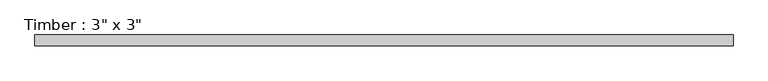
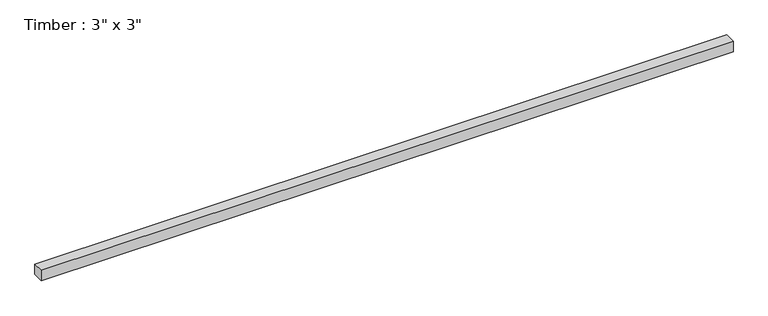
"""IFC4 building model written with IfcOpenShell, lengths in millimetres: beam geometry."""

import ifcopenshell
import ifcopenshell.guid

model = None  # the IFC model being written
_history = None  # IfcOwnerHistory: only IFC2X3 demands one
_inside = {}  # id of a spatial element -> (the spatial element, [elements in it])
_under = {}  # id of a project, library or spatial element -> (it, [spatial elements below it])
_declared = {}  # id of a project -> (the project, [libraries it declares])
_typed = {}  # id of a type object -> (the type object, [elements of that type])
_made_of = {}  # id of a material, layer set ... -> (it, [elements and type objects made of it])


def new_model(schema):
    """Start an empty IFC model of exactly this schema.

    Asked for "IFC4X3", IfcOpenShell would pick the latest addendum, in which some entities
    have other attributes; the version numbers below select the first issue.
    IFC2X3 requires an IfcOwnerHistory on every rooted entity: one is made here for all.
    """
    global model, _history
    if schema == "IFC4X3":
        model = ifcopenshell.file(schema_version=(4, 3, 0, 0))
    else:
        model = ifcopenshell.file(schema=schema)
    _inside.clear()
    _under.clear()
    _declared.clear()
    _typed.clear()
    _made_of.clear()
    _history = None
    if model.schema == "IFC2X3":
        org = make("IfcOrganization", Name="unknown")
        user = make(
            "IfcPersonAndOrganization",
            ThePerson=make("IfcPerson", FamilyName="unknown"),
            TheOrganization=org,
        )
        app = make(
            "IfcApplication",
            ApplicationDeveloper=org,
            Version="unknown",
            ApplicationFullName="unknown",
            ApplicationIdentifier="unknown",
        )
        _history = make(
            "IfcOwnerHistory",
            OwningUser=user,
            OwningApplication=app,
            ChangeAction="ADDED",
            CreationDate=0,
        )
    return model


def make(cls, **values):
    """One entity of the class cls with the attributes given. An attribute that is None is left unset."""
    return model.create_entity(
        cls, **{name: value for name, value in values.items() if value is not None}
    )


def rooted(cls, **values):
    """An entity with a GlobalId (a new one), such as an element, a storey or a relation."""
    return make(cls, GlobalId=ifcopenshell.guid.new(), OwnerHistory=_history, **values)


def si_unit(unit_type, name, prefix=None):
    """IfcSIUnit, for example si_unit("LENGTHUNIT", "METRE", prefix="MILLI")."""
    return make("IfcSIUnit", UnitType=unit_type, Prefix=prefix, Name=name)


def assignment(units):
    """IfcUnitAssignment: the units of a project."""
    return None if units is None else make("IfcUnitAssignment", Units=units)


def point(xyz):
    """IfcCartesianPoint."""
    return None if xyz is None else make("IfcCartesianPoint", Coordinates=xyz)


def direction(xyz):
    """IfcDirection."""
    return None if xyz is None else make("IfcDirection", DirectionRatios=xyz)


def frame(location, z_axis=None, x_axis=None):
    """IfcAxis2Placement3D, a coordinate frame: its origin and axes. An axis left out is left unset."""
    return make(
        "IfcAxis2Placement3D",
        Location=point(location),
        Axis=direction(z_axis),
        RefDirection=direction(x_axis),
    )


def origin():
    """The frame at (0, 0, 0) with its axes left unset."""
    return frame((0.0, 0.0, 0.0))


def place(relative_to, where):
    """IfcLocalPlacement: puts the frame where relative to a parent placement (None: the world)."""
    return make(
        "IfcLocalPlacement", PlacementRelTo=relative_to, RelativePlacement=where
    )


def context(
    kind, dimensions, precision=None, world=None, true_north=None, identifier=None
):
    """IfcGeometricRepresentationContext, for example the 3D "Model" context."""
    return make(
        "IfcGeometricRepresentationContext",
        ContextIdentifier=identifier,
        ContextType=kind,
        CoordinateSpaceDimension=dimensions,
        Precision=precision,
        WorldCoordinateSystem=world,
        TrueNorth=true_north,
    )


def project(units=None, contexts=None):
    """IfcProject with its units and contexts."""
    return rooted(
        "IfcProject",
        Name="project",
        RepresentationContexts=contexts,
        UnitsInContext=assignment(units),
    )


def spatial(cls, under=None, at=None, **own):
    """A site, building, storey or space (cls), placed at a placement, below another one or the project."""
    s = rooted(cls, ObjectPlacement=at, **own)
    if under is not None:
        _under.setdefault(under.id(), (under, []))[1].append(s)
    return s


def polyline(points):
    """IfcPolyline through the points."""
    return make("IfcPolyline", Points=[point(p) for p in points])


def outline(outer, holes=None, kind="AREA"):
    """IfcArbitraryClosedProfileDef: a profile drawn as a closed curve; with holes, ...WithVoids."""
    if holes is None:
        return make("IfcArbitraryClosedProfileDef", ProfileType=kind, OuterCurve=outer)
    return make(
        "IfcArbitraryProfileDefWithVoids",
        ProfileType=kind,
        OuterCurve=outer,
        InnerCurves=holes,
    )


def extrude(swept, where, along, depth):
    """IfcExtrudedAreaSolid: the profile swept, set in the frame where, extruded along a direction by depth."""
    return make(
        "IfcExtrudedAreaSolid",
        SweptArea=swept,
        Position=where,
        ExtrudedDirection=direction(along),
        Depth=depth,
    )


def shape(context_of_items, identifier, shape_type, items):
    """IfcShapeRepresentation: the items that make up one representation, for example the "Body"."""
    return make(
        "IfcShapeRepresentation",
        ContextOfItems=context_of_items,
        RepresentationIdentifier=identifier,
        RepresentationType=shape_type,
        Items=items,
    )


def source(mapping_origin, context_of_items, identifier, shape_type, items):
    """IfcRepresentationMap: a shape defined once, which mapped items show again and again."""
    return make(
        "IfcRepresentationMap",
        MappingOrigin=mapping_origin,
        MappedRepresentation=shape(context_of_items, identifier, shape_type, items),
    )


def transform(
    local_origin,
    x_axis=None,
    y_axis=None,
    z_axis=None,
    scale=None,
    scale2=None,
    scale3=None,
    uniform=True,
):
    """IfcCartesianTransformationOperator3D, or its non-uniform kind. x_axis, y_axis, z_axis: its Axis1, 2, 3."""
    if uniform:
        return make(
            "IfcCartesianTransformationOperator3D",
            Axis1=direction(x_axis),
            Axis2=direction(y_axis),
            LocalOrigin=point(local_origin),
            Scale=scale,
            Axis3=direction(z_axis),
        )
    return make(
        "IfcCartesianTransformationOperator3DnonUniform",
        Axis1=direction(x_axis),
        Axis2=direction(y_axis),
        LocalOrigin=point(local_origin),
        Scale=scale,
        Axis3=direction(z_axis),
        Scale2=scale2,
        Scale3=scale3,
    )


def mapped(mapping_source, mapping_target):
    """IfcMappedItem: shows the shape of a source again, moved by a transform."""
    return make(
        "IfcMappedItem", MappingSource=mapping_source, MappingTarget=mapping_target
    )


def made_of(thing, what):
    """Note that an element or type object is made of a material, layer set ...; save() writes the relation."""
    if what is not None:
        _made_of.setdefault(what.id(), (what, []))[1].append(thing)
    return thing


def element(
    cls,
    number,
    at=None,
    inside=None,
    cuts=None,
    type_object=None,
    material=None,
    context=None,
    identifier="Body",
    shape_type=None,
    held_by="IfcProductDefinitionShape",
    body=None,
    shapes=None,
    **own,
):
    """One element of the class cls, such as IfcWall. Its Tag is "e" and its number.

    at: its placement. inside: the storey or other place that contains it. cuts: it is an
    opening in that element (IfcRelVoidsElement). A single representation is given by context,
    identifier, shape_type and body (its items); several are given by shapes. held_by: the class
    of the entity that holds the representations. save() writes the other relations.
    """
    e = rooted(cls, Tag="e%d" % number, ObjectPlacement=at, **own)
    if body is not None:
        shapes = [shape(context, identifier, shape_type, body)]
    if shapes is not None:
        e.Representation = make(held_by, Representations=shapes)
    if inside is not None:
        _inside.setdefault(inside.id(), (inside, []))[1].append(e)
    if cuts is not None:
        rooted(
            "IfcRelVoidsElement", RelatingBuildingElement=cuts, RelatedOpeningElement=e
        )
    if type_object is not None:
        _typed.setdefault(type_object.id(), (type_object, []))[1].append(e)
    return made_of(e, material)


def aggregate(whole, parts):
    """IfcRelAggregates: a whole, such as a stair, and the parts it consists of."""
    return rooted("IfcRelAggregates", RelatingObject=whole, RelatedObjects=parts)


def save(model, path):
    """Write the relations noted so far, then the file.

    IfcRelAggregates (storeys below a building ...), IfcRelContainedInSpatialStructure (elements
    in a storey), IfcRelDefinesByType, IfcRelAssociatesMaterial and IfcRelDeclares: one each for
    every whole, place, type object, material and project.
    """
    for whole, parts in _under.values():
        aggregate(whole, parts)
    for where, things in _inside.values():
        rooted(
            "IfcRelContainedInSpatialStructure",
            RelatedElements=things,
            RelatingStructure=where,
        )
    for kind, things in _typed.values():
        rooted("IfcRelDefinesByType", RelatedObjects=things, RelatingType=kind)
    for what, things in _made_of.values():
        rooted("IfcRelAssociatesMaterial", RelatedObjects=things, RelatingMaterial=what)
    for by, libraries in _declared.values():
        rooted("IfcRelDeclares", RelatingContext=by, RelatedDefinitions=libraries)
    model.write(path)


def beam_2182f160(model_context):
    return source(origin(), model_context, "Body", "SweptSolid", [
        extrude(outline(polyline([(2406.0126473, 38.1), (2406.0126473, -38.1), (-2406.0126473, -38.1), (-2406.0126473, 38.1), (2406.0126473, 38.1)])), frame((0.0, 0.0, -38.1), z_axis=(0.0, 0.0, 1.0), x_axis=(1.0, 0.0, 0.0)), (0.0, 0.0, 1.0), 76.2),
    ])


if __name__ == "__main__":
    model = new_model("IFC4")
    model_context = context("Model", 3, world=origin())
    ifc_project = project(units=[si_unit("LENGTHUNIT", "METRE", prefix="MILLI")], contexts=[model_context])
    site = spatial("IfcSite", under=ifc_project)
    building = spatial("IfcBuilding", under=site)
    placement = place(None, origin())
    beam_shape = beam_2182f160(model_context)
    element("IfcBeam", 1, ObjectType="Timber : 3\" x 3\"", at=placement, inside=building, context=model_context, shape_type="MappedRepresentation", body=[
        mapped(beam_shape, transform((0.0, 0.0, 0.0), x_axis=(1.0, 0.0, 0.0), y_axis=(0.0, 1.0, 0.0), z_axis=(0.0, 0.0, 1.0))),
    ])
    save(model, "model.ifc")
